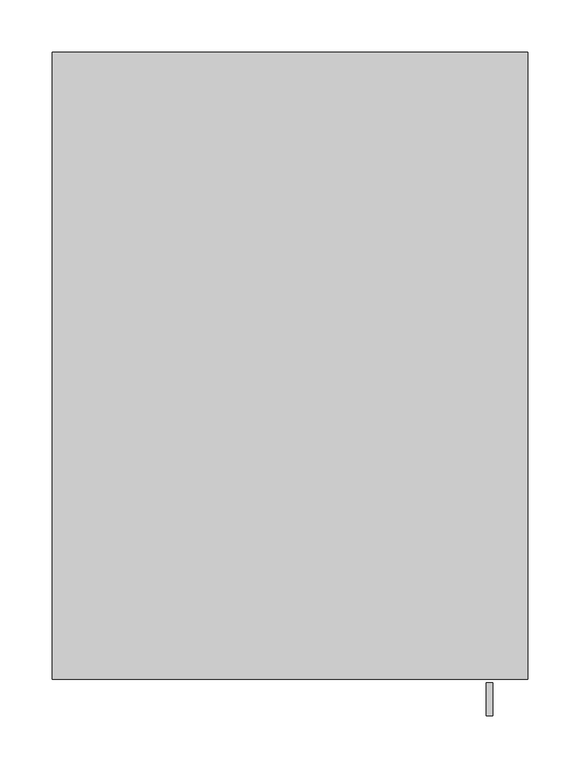
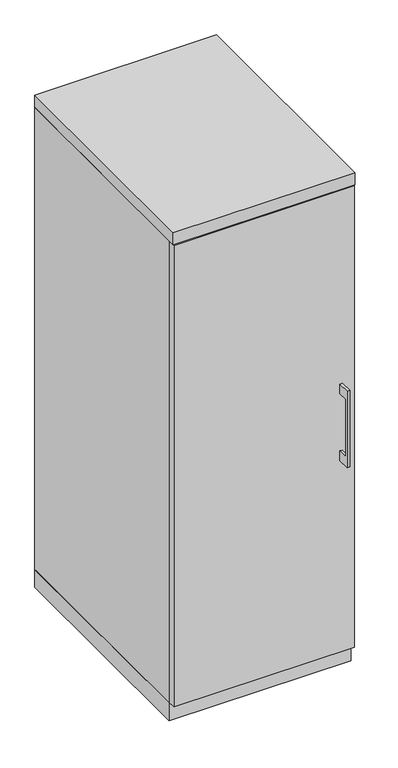
"""IFC4 building model written with IfcOpenShell, lengths in millimetres: furniture geometry."""

from ifc_helpers import new_model, si_unit, frame, origin, origin_with_axes, place, context, project, spatial, polyline, outline, extrude, source, transform, mapped, element, save


def furniture_0c8630a4(model_context):
    return source(origin(), model_context, "Body", "SweptSolid", [
        extrude(outline(polyline([(-606.425, 736.6), (-631.8249758, 736.6), (-631.8249758, 584.2), (-606.425, 584.2), (-606.425, 558.8), (-638.1749879, 558.8), (-638.1749879, 762.0), (-606.425, 762.0), (-606.425, 736.6)])), frame((188.9125121, 0.0, 0.0), z_axis=(1.0, 0.0, 0.0), x_axis=(0.0, 1.0, 0.0)), (0.0, 0.0, 1.0), 6.3499758),
        extrude(outline(polyline([(227.0125, -603.25), (-227.0125, -603.25), (-227.0125, -584.2), (227.0125, -584.2), (227.0125, -603.25)])), frame((0.0, 0.0, 47.625), z_axis=(0.0, 0.0, 1.0), x_axis=(1.0, 0.0, 0.0)), (0.0, 0.0, 1.0), 1225.55),
        extrude(outline(polyline([(228.6, 0.0), (228.6, -584.2), (-228.6, -584.2), (-228.6, 0.0), (228.6, 0.0)])), origin_with_axes(), (0.0, 0.0, 1.0), 47.625),
        extrude(outline(polyline([(228.6, 0.0), (228.6, -603.25), (-228.6, -603.25), (-228.6, 0.0), (228.6, 0.0)])), frame((0.0, 0.0, 1276.35), z_axis=(0.0, 0.0, 1.0), x_axis=(1.0, 0.0, 0.0)), (0.0, 0.0, 1.0), 31.75),
        extrude(outline(polyline([(228.6, 0.0), (228.6, -584.2), (209.55, -584.2), (209.55, -19.05), (-209.55, -19.05), (-209.55, -584.2), (-228.6, -584.2), (-228.6, 0.0), (228.6, 0.0)])), frame((0.0, 0.0, 47.625), z_axis=(0.0, 0.0, 1.0), x_axis=(1.0, 0.0, 0.0)), (0.0, 0.0, 1.0), 1228.725),
    ])


if __name__ == "__main__":
    model = new_model("IFC4")
    model_context = context("Model", 3, world=origin())
    ifc_project = project(units=[si_unit("LENGTHUNIT", "METRE", prefix="MILLI")], contexts=[model_context])
    site = spatial("IfcSite", under=ifc_project)
    building = spatial("IfcBuilding", under=site)
    placement = place(None, origin())
    furniture_shape = furniture_0c8630a4(model_context)
    element("IfcFurniture", 1, at=placement, inside=building, context=model_context, shape_type="MappedRepresentation", body=[
        mapped(furniture_shape, transform((0.0, 0.0, 0.0), x_axis=(1.0, 0.0, 0.0), y_axis=(0.0, 1.0, 0.0), z_axis=(0.0, 0.0, 1.0))),
    ])
    save(model, "model.ifc")
